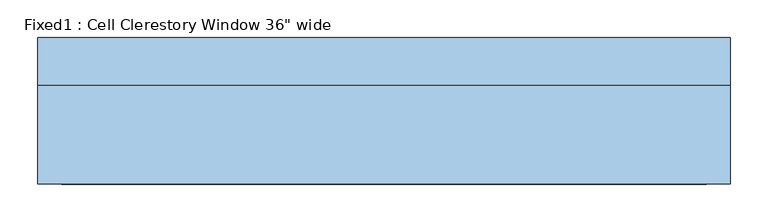
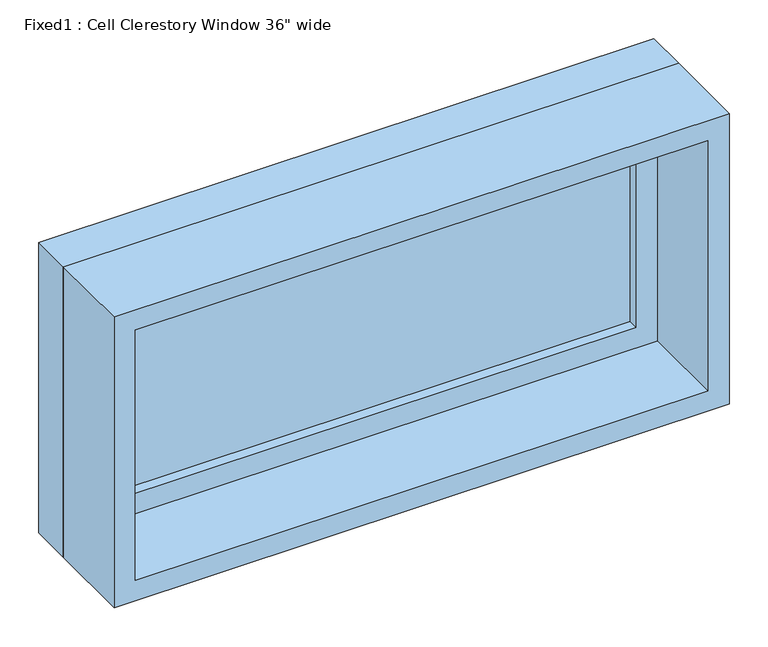
"""IFC4 building model written with IfcOpenShell, lengths in millimetres: window geometry."""

from ifc_helpers import new_model, si_unit, frame, origin, place, context, project, spatial, polyline, outline, extrude, source, transform, mapped, element, save


def window_6a91cc39(model_context):
    return source(origin(), model_context, "Body", "SweptSolid", [
        extrude(outline(polyline([(355.6, 49.2125), (-431.8, 49.2125), (-431.8, 61.9125), (355.6, 61.9125), (355.6, 49.2125)])), frame((0.0, 0.0, 2197.1), z_axis=(0.0, 0.0, 1.0), x_axis=(1.0, 0.0, 0.0)), (0.0, 0.0, 1.0), 330.2),
        extrude(outline(polyline([(2571.75, -476.25), (2152.65, -476.25), (2152.65, 400.05), (2571.75, 400.05), (2571.75, -476.25)]), holes=[polyline([(2527.3, -431.8), (2527.3, 355.6), (2197.1, 355.6), (2197.1, -431.8), (2527.3, -431.8)])]), frame((0.0, 33.3375, 0.0), z_axis=(0.0, 1.0, 0.0), x_axis=(0.0, 0.0, 1.0)), (0.0, 0.0, 1.0), 44.45),
        extrude(outline(polyline([(2590.8, -495.3), (2133.6, -495.3), (2133.6, 419.1), (2590.8, 419.1), (2590.8, -495.3)]), holes=[polyline([(2559.05, -463.55), (2559.05, 387.35), (2165.35, 387.35), (2165.35, -463.55), (2559.05, -463.55)])]), frame((0.0, -96.8375, 0.0), z_axis=(0.0, 1.0, 0.0), x_axis=(0.0, 0.0, 1.0)), (0.0, 0.0, 1.0), 130.175),
        extrude(outline(polyline([(2590.8, 419.1), (2590.8, -495.3), (2133.6, -495.3), (2133.6, 419.1), (2590.8, 419.1)]), holes=[polyline([(2571.75, 400.05), (2152.65, 400.05), (2152.65, -476.25), (2571.75, -476.25), (2571.75, 400.05)])]), frame((0.0, 33.3375, 0.0), z_axis=(0.0, 1.0, 0.0), x_axis=(0.0, 0.0, 1.0)), (0.0, 0.0, 1.0), 63.5),
    ])


if __name__ == "__main__":
    model = new_model("IFC4")
    model_context = context("Model", 3, world=origin())
    ifc_project = project(units=[si_unit("LENGTHUNIT", "METRE", prefix="MILLI")], contexts=[model_context])
    site = spatial("IfcSite", under=ifc_project)
    building = spatial("IfcBuilding", under=site)
    placement = place(None, origin())
    window_shape = window_6a91cc39(model_context)
    element("IfcWindow", 1, ObjectType="Fixed1 : Cell Clerestory Window 36\" wide", at=placement, inside=building, context=model_context, shape_type="MappedRepresentation", body=[
        mapped(window_shape, transform((0.0, 0.0, 0.0), x_axis=(1.0, 0.0, 0.0), y_axis=(0.0, 1.0, 0.0), z_axis=(0.0, 0.0, 1.0))),
    ])
    save(model, "model.ifc")
